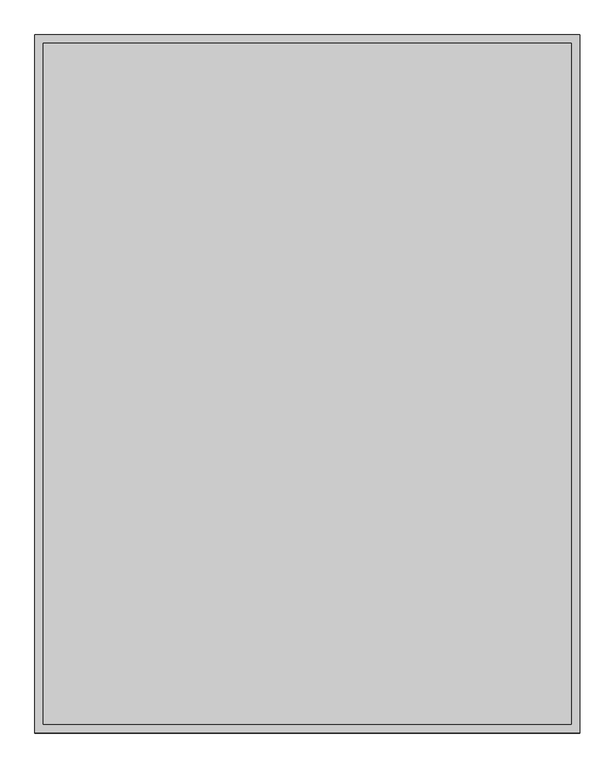
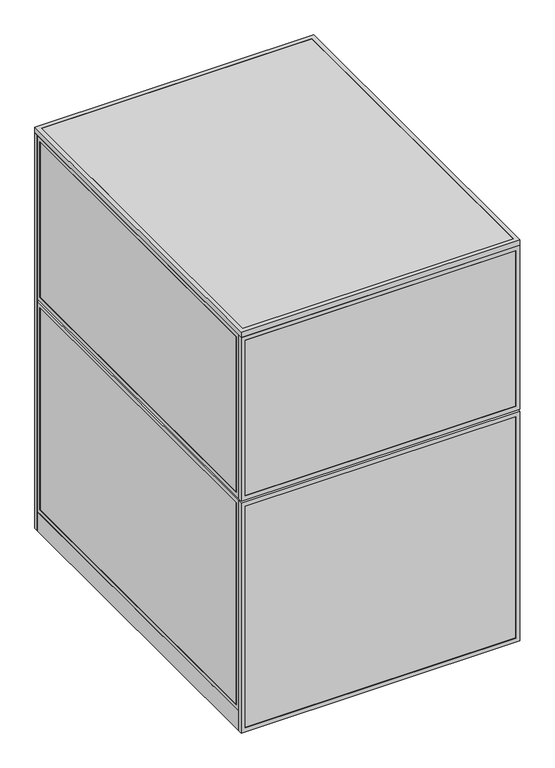
"""IFC4 building model written with IfcOpenShell, lengths in millimetres: proxy geometry."""

from ifc_helpers import new_model, si_unit, frame, origin, origin_with_axes, place, context, project, spatial, polyline, outline, extrude, source, transform, mapped, element, save


def specialty_equipment_5b17d2e3(model_context):
    return source(origin(), model_context, "Body", "SweptSolid", [
        extrude(outline(polyline([(0.0, 0.0), (0.0, 914.4), (1828.8, 914.4), (1828.8, 0.0), (0.0, 0.0)]), holes=[polyline([(819.15, 19.05), (819.15, 895.35), (19.05, 895.35), (19.05, 19.05), (819.15, 19.05)]), polyline([(857.25, 895.35), (857.25, 19.05), (1809.75, 19.05), (1809.75, 895.35), (857.25, 895.35)])]), frame((0.0, 1524.0, 0.0), z_axis=(0.0, 1.0, 0.0), x_axis=(0.0, 0.0, 1.0)), (0.0, 0.0, 1.0), 19.05),
        extrude(outline(polyline([(60.3189838, 1541.4625), (854.0810162, 1541.4625), (854.0810162, 1525.5875), (60.3189838, 1525.5875), (60.3189838, 1541.4625)])), frame((0.0, 0.0, 60.325), z_axis=(0.0, 0.0, 1.0), x_axis=(1.0, 0.0, 0.0)), (0.0, 0.0, 1.0), 717.55),
        extrude(outline(polyline([(879.475, 41.2689838), (879.475, 873.1310162), (1787.525, 873.1310162), (1787.525, 41.2689838), (879.475, 41.2689838)]), holes=[polyline([(1768.475, 854.0810162), (898.525, 854.0810162), (898.525, 60.3189838), (1768.475, 60.3189838), (1768.475, 854.0810162)])]), frame((0.0, 1524.0, 0.0), z_axis=(0.0, 1.0, 0.0), x_axis=(0.0, 0.0, 1.0)), (0.0, 0.0, 1.0), 19.05),
        extrude(outline(polyline([(41.275, 41.2689838), (41.275, 873.1310162), (796.925, 873.1310162), (796.925, 41.2689838), (41.275, 41.2689838)]), holes=[polyline([(777.875, 854.0810162), (60.325, 854.0810162), (60.325, 60.3189838), (777.875, 60.3189838), (777.875, 854.0810162)])]), frame((0.0, 1524.0, 0.0), z_axis=(0.0, 1.0, 0.0), x_axis=(0.0, 0.0, 1.0)), (0.0, 0.0, 1.0), 19.05),
        extrude(outline(polyline([(60.3189838, 1541.4625), (854.0810162, 1541.4625), (854.0810162, 1525.5875), (60.3189838, 1525.5875), (60.3189838, 1541.4625)])), frame((0.0, 0.0, 898.525), z_axis=(0.0, 0.0, 1.0), x_axis=(1.0, 0.0, 0.0)), (0.0, 0.0, 1.0), 869.95),
        extrude(outline(polyline([(933.45, 1541.4625), (1200.15, 1541.4625), (1200.15, 1525.5875), (933.45, 1525.5875), (933.45, 1541.4625)])), frame((0.0, 0.0, 19.05), z_axis=(0.0, 0.0, 1.0), x_axis=(1.0, 0.0, 0.0)), (0.0, 0.0, 1.0), 800.1),
        extrude(outline(polyline([(933.45, 1541.4625), (1200.15, 1541.4625), (1200.15, 1525.5875), (933.45, 1525.5875), (933.45, 1541.4625)])), frame((0.0, 0.0, 857.25), z_axis=(0.0, 0.0, 1.0), x_axis=(1.0, 0.0, 0.0)), (0.0, 0.0, 1.0), 952.5),
        extrude(outline(polyline([(1828.8, 1219.2), (1828.8, 914.4), (0.0, 914.4), (0.0, 1219.2), (1828.8, 1219.2)]), holes=[polyline([(819.15, 1200.15), (19.05, 1200.15), (19.05, 933.45), (819.15, 933.45), (819.15, 1200.15)]), polyline([(857.25, 1200.15), (857.25, 933.45), (1809.75, 933.45), (1809.75, 1200.15), (857.25, 1200.15)])]), frame((0.0, 1524.0, 0.0), z_axis=(0.0, 1.0, 0.0), x_axis=(0.0, 0.0, 1.0)), (0.0, 0.0, 1.0), 19.05),
        extrude(outline(polyline([(1062.0375, 1219.2), (1062.0375, 0.0), (0.0, 0.0), (0.0, 1219.2), (1062.0375, 1219.2)]), holes=[polyline([(19.05, 1200.15), (19.05, 19.05), (1042.9875, 19.05), (1042.9875, 1200.15), (19.05, 1200.15)])]), frame((0.0, -19.05, 0.0), z_axis=(0.0, 1.0, 0.0), x_axis=(0.0, 0.0, 1.0)), (0.0, 0.0, 1.0), 19.05),
        extrude(outline(polyline([(1071.5625, 1219.2), (1828.8, 1219.2), (1828.8, 0.0), (1071.5625, 0.0), (1071.5625, 1219.2)]), holes=[polyline([(1809.75, 1200.15), (1090.6125, 1200.15), (1090.6125, 19.05), (1809.75, 19.05), (1809.75, 1200.15)])]), frame((0.0, -19.05, 0.0), z_axis=(0.0, 1.0, 0.0), x_axis=(0.0, 0.0, 1.0)), (0.0, 0.0, 1.0), 19.05),
        extrude(outline(polyline([(1200.15, -17.4625), (19.05, -17.4625), (19.05, -1.5875), (1200.15, -1.5875), (1200.15, -17.4625)])), frame((0.0, 0.0, 19.05), z_axis=(0.0, 0.0, 1.0), x_axis=(1.0, 0.0, 0.0)), (0.0, 0.0, 1.0), 1023.9375),
        extrude(outline(polyline([(1200.15, -17.4625), (19.05, -17.4625), (19.05, -1.5875), (1200.15, -1.5875), (1200.15, -17.4625)])), frame((0.0, 0.0, 1090.6125), z_axis=(0.0, 0.0, 1.0), x_axis=(1.0, 0.0, 0.0)), (0.0, 0.0, 1.0), 719.1375),
        extrude(outline(polyline([(0.0, 0.0), (0.0, 1524.0), (19.05, 1524.0), (19.05, 0.0), (0.0, 0.0)])), origin_with_axes(), (0.0, 0.0, 1.0), 88.9),
        extrude(outline(polyline([(1524.0, 88.9), (0.0, 88.9), (0.0, 1062.0375), (1524.0, 1062.0375), (1524.0, 88.9)]), holes=[polyline([(1504.95, 1042.9875), (19.05, 1042.9875), (19.05, 107.95), (1504.95, 107.95), (1504.95, 1042.9875)])]), frame((0.0, 0.0, 0.0), z_axis=(1.0, 0.0, 0.0), x_axis=(0.0, 1.0, 0.0)), (0.0, 0.0, 1.0), 19.05),
        extrude(outline(polyline([(0.0, 1071.5625), (0.0, 1828.8), (1524.0, 1828.8), (1524.0, 1071.5625), (0.0, 1071.5625)]), holes=[polyline([(19.05, 1809.75), (19.05, 1090.6125), (1504.95, 1090.6125), (1504.95, 1809.75), (19.05, 1809.75)])]), frame((0.0, 0.0, 0.0), z_axis=(1.0, 0.0, 0.0), x_axis=(0.0, 1.0, 0.0)), (0.0, 0.0, 1.0), 19.05),
        extrude(outline(polyline([(1.5875, 19.05), (1.5875, 1504.95), (17.4625, 1504.95), (17.4625, 19.05), (1.5875, 19.05)])), frame((0.0, 0.0, 107.95), z_axis=(0.0, 0.0, 1.0), x_axis=(1.0, 0.0, 0.0)), (0.0, 0.0, 1.0), 935.0375),
        extrude(outline(polyline([(1.5875, 19.05), (1.5875, 1504.95), (17.4625, 1504.95), (17.4625, 19.05), (1.5875, 19.05)])), frame((0.0, 0.0, 1090.6125), z_axis=(0.0, 0.0, 1.0), x_axis=(1.0, 0.0, 0.0)), (0.0, 0.0, 1.0), 719.1375),
        extrude(outline(polyline([(1200.15, 0.0), (1200.15, 1524.0), (1219.2, 1524.0), (1219.2, 0.0), (1200.15, 0.0)])), origin_with_axes(), (0.0, 0.0, 1.0), 88.9),
        extrude(outline(polyline([(1524.0, 88.9), (0.0, 88.9), (0.0, 1062.0375), (1524.0, 1062.0375), (1524.0, 88.9)]), holes=[polyline([(1504.95, 1042.9875), (19.05, 1042.9875), (19.05, 107.95), (1504.95, 107.95), (1504.95, 1042.9875)])]), frame((1200.15, 0.0, 0.0), z_axis=(1.0, 0.0, 0.0), x_axis=(0.0, 1.0, 0.0)), (0.0, 0.0, 1.0), 19.05),
        extrude(outline(polyline([(0.0, 1071.5625), (0.0, 1828.8), (1524.0, 1828.8), (1524.0, 1071.5625), (0.0, 1071.5625)]), holes=[polyline([(19.05, 1809.75), (19.05, 1090.6125), (1504.95, 1090.6125), (1504.95, 1809.75), (19.05, 1809.75)])]), frame((1200.15, 0.0, 0.0), z_axis=(1.0, 0.0, 0.0), x_axis=(0.0, 1.0, 0.0)), (0.0, 0.0, 1.0), 19.05),
        extrude(outline(polyline([(1201.7375, 19.05), (1201.7375, 1504.95), (1217.6125, 1504.95), (1217.6125, 19.05), (1201.7375, 19.05)])), frame((0.0, 0.0, 107.95), z_axis=(0.0, 0.0, 1.0), x_axis=(1.0, 0.0, 0.0)), (0.0, 0.0, 1.0), 935.0375),
        extrude(outline(polyline([(1201.7375, 19.05), (1201.7375, 1504.95), (1217.6125, 1504.95), (1217.6125, 19.05), (1201.7375, 19.05)])), frame((0.0, 0.0, 1090.6125), z_axis=(0.0, 0.0, 1.0), x_axis=(1.0, 0.0, 0.0)), (0.0, 0.0, 1.0), 719.1375),
        extrude(outline(polyline([(1187.45, 622.3), (1187.45, 609.6), (31.75, 609.6), (31.75, 622.3), (1187.45, 622.3)])), origin_with_axes(), (0.0, 0.0, 1.0), 152.4),
        extrude(outline(polyline([(1187.45, 622.3), (1187.45, 12.7), (31.75, 12.7), (31.75, 622.3), (1187.45, 622.3)])), frame((0.0, 0.0, 152.4), z_axis=(0.0, 0.0, 1.0), x_axis=(1.0, 0.0, 0.0)), (0.0, 0.0, 1.0), 12.7),
        extrude(outline(polyline([(1219.2, 1543.05), (1219.2, -19.05), (0.0, -19.05), (0.0, 1543.05), (1219.2, 1543.05)]), holes=[polyline([(1200.15, 1524.0), (19.05, 1524.0), (19.05, 0.0), (1200.15, 0.0), (1200.15, 1524.0)])]), frame((0.0, 0.0, 1828.8), z_axis=(0.0, 0.0, 1.0), x_axis=(1.0, 0.0, 0.0)), (0.0, 0.0, 1.0), 25.4),
        extrude(outline(polyline([(19.05, 1524.0), (1200.15, 1524.0), (1200.15, 0.0), (19.05, 0.0), (19.05, 1524.0)])), frame((0.0, 0.0, 1828.8), z_axis=(0.0, 0.0, 1.0), x_axis=(1.0, 0.0, 0.0)), (0.0, 0.0, 1.0), 25.4),
    ])


if __name__ == "__main__":
    model = new_model("IFC4")
    model_context = context("Model", 3, world=origin())
    ifc_project = project(units=[si_unit("LENGTHUNIT", "METRE", prefix="MILLI")], contexts=[model_context])
    site = spatial("IfcSite", under=ifc_project)
    building = spatial("IfcBuilding", under=site)
    placement = place(None, origin())
    specialty_equipment_shape = specialty_equipment_5b17d2e3(model_context)
    element("IfcBuildingElementProxy", 1, Name="Specialty Equipment", at=placement, inside=building, context=model_context, shape_type="MappedRepresentation", body=[
        mapped(specialty_equipment_shape, transform((0.0, 0.0, 0.0), x_axis=(1.0, 0.0, 0.0), y_axis=(0.0, 1.0, 0.0), z_axis=(0.0, 0.0, 1.0))),
    ])
    save(model, "model.ifc")
